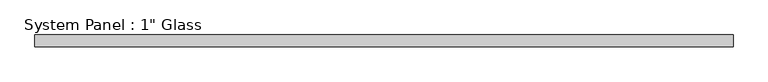
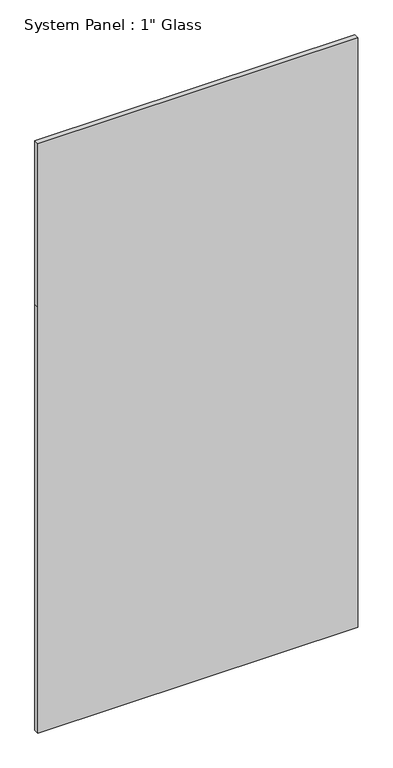
"""IFC4 building model written with IfcOpenShell, lengths in millimetres: plate geometry."""

import ifcopenshell
import ifcopenshell.guid

model = None  # the IFC model being written
_history = None  # IfcOwnerHistory: only IFC2X3 demands one
_inside = {}  # id of a spatial element -> (the spatial element, [elements in it])
_under = {}  # id of a project, library or spatial element -> (it, [spatial elements below it])
_declared = {}  # id of a project -> (the project, [libraries it declares])
_typed = {}  # id of a type object -> (the type object, [elements of that type])
_made_of = {}  # id of a material, layer set ... -> (it, [elements and type objects made of it])


def new_model(schema):
    """Start an empty IFC model of exactly this schema.

    Asked for "IFC4X3", IfcOpenShell would pick the latest addendum, in which some entities
    have other attributes; the version numbers below select the first issue.
    IFC2X3 requires an IfcOwnerHistory on every rooted entity: one is made here for all.
    """
    global model, _history
    if schema == "IFC4X3":
        model = ifcopenshell.file(schema_version=(4, 3, 0, 0))
    else:
        model = ifcopenshell.file(schema=schema)
    _inside.clear()
    _under.clear()
    _declared.clear()
    _typed.clear()
    _made_of.clear()
    _history = None
    if model.schema == "IFC2X3":
        org = make("IfcOrganization", Name="unknown")
        user = make(
            "IfcPersonAndOrganization",
            ThePerson=make("IfcPerson", FamilyName="unknown"),
            TheOrganization=org,
        )
        app = make(
            "IfcApplication",
            ApplicationDeveloper=org,
            Version="unknown",
            ApplicationFullName="unknown",
            ApplicationIdentifier="unknown",
        )
        _history = make(
            "IfcOwnerHistory",
            OwningUser=user,
            OwningApplication=app,
            ChangeAction="ADDED",
            CreationDate=0,
        )
    return model


def make(cls, **values):
    """One entity of the class cls with the attributes given. An attribute that is None is left unset."""
    return model.create_entity(
        cls, **{name: value for name, value in values.items() if value is not None}
    )


def rooted(cls, **values):
    """An entity with a GlobalId (a new one), such as an element, a storey or a relation."""
    return make(cls, GlobalId=ifcopenshell.guid.new(), OwnerHistory=_history, **values)


def si_unit(unit_type, name, prefix=None):
    """IfcSIUnit, for example si_unit("LENGTHUNIT", "METRE", prefix="MILLI")."""
    return make("IfcSIUnit", UnitType=unit_type, Prefix=prefix, Name=name)


def assignment(units):
    """IfcUnitAssignment: the units of a project."""
    return None if units is None else make("IfcUnitAssignment", Units=units)


def point(xyz):
    """IfcCartesianPoint."""
    return None if xyz is None else make("IfcCartesianPoint", Coordinates=xyz)


def direction(xyz):
    """IfcDirection."""
    return None if xyz is None else make("IfcDirection", DirectionRatios=xyz)


def frame(location, z_axis=None, x_axis=None):
    """IfcAxis2Placement3D, a coordinate frame: its origin and axes. An axis left out is left unset."""
    return make(
        "IfcAxis2Placement3D",
        Location=point(location),
        Axis=direction(z_axis),
        RefDirection=direction(x_axis),
    )


def origin():
    """The frame at (0, 0, 0) with its axes left unset."""
    return frame((0.0, 0.0, 0.0))


def place(relative_to, where):
    """IfcLocalPlacement: puts the frame where relative to a parent placement (None: the world)."""
    return make(
        "IfcLocalPlacement", PlacementRelTo=relative_to, RelativePlacement=where
    )


def context(
    kind, dimensions, precision=None, world=None, true_north=None, identifier=None
):
    """IfcGeometricRepresentationContext, for example the 3D "Model" context."""
    return make(
        "IfcGeometricRepresentationContext",
        ContextIdentifier=identifier,
        ContextType=kind,
        CoordinateSpaceDimension=dimensions,
        Precision=precision,
        WorldCoordinateSystem=world,
        TrueNorth=true_north,
    )


def project(units=None, contexts=None):
    """IfcProject with its units and contexts."""
    return rooted(
        "IfcProject",
        Name="project",
        RepresentationContexts=contexts,
        UnitsInContext=assignment(units),
    )


def spatial(cls, under=None, at=None, **own):
    """A site, building, storey or space (cls), placed at a placement, below another one or the project."""
    s = rooted(cls, ObjectPlacement=at, **own)
    if under is not None:
        _under.setdefault(under.id(), (under, []))[1].append(s)
    return s


def polyline(points):
    """IfcPolyline through the points."""
    return make("IfcPolyline", Points=[point(p) for p in points])


def outline(outer, holes=None, kind="AREA"):
    """IfcArbitraryClosedProfileDef: a profile drawn as a closed curve; with holes, ...WithVoids."""
    if holes is None:
        return make("IfcArbitraryClosedProfileDef", ProfileType=kind, OuterCurve=outer)
    return make(
        "IfcArbitraryProfileDefWithVoids",
        ProfileType=kind,
        OuterCurve=outer,
        InnerCurves=holes,
    )


def extrude(swept, where, along, depth):
    """IfcExtrudedAreaSolid: the profile swept, set in the frame where, extruded along a direction by depth."""
    return make(
        "IfcExtrudedAreaSolid",
        SweptArea=swept,
        Position=where,
        ExtrudedDirection=direction(along),
        Depth=depth,
    )


def shape(context_of_items, identifier, shape_type, items):
    """IfcShapeRepresentation: the items that make up one representation, for example the "Body"."""
    return make(
        "IfcShapeRepresentation",
        ContextOfItems=context_of_items,
        RepresentationIdentifier=identifier,
        RepresentationType=shape_type,
        Items=items,
    )


def source(mapping_origin, context_of_items, identifier, shape_type, items):
    """IfcRepresentationMap: a shape defined once, which mapped items show again and again."""
    return make(
        "IfcRepresentationMap",
        MappingOrigin=mapping_origin,
        MappedRepresentation=shape(context_of_items, identifier, shape_type, items),
    )


def transform(
    local_origin,
    x_axis=None,
    y_axis=None,
    z_axis=None,
    scale=None,
    scale2=None,
    scale3=None,
    uniform=True,
):
    """IfcCartesianTransformationOperator3D, or its non-uniform kind. x_axis, y_axis, z_axis: its Axis1, 2, 3."""
    if uniform:
        return make(
            "IfcCartesianTransformationOperator3D",
            Axis1=direction(x_axis),
            Axis2=direction(y_axis),
            LocalOrigin=point(local_origin),
            Scale=scale,
            Axis3=direction(z_axis),
        )
    return make(
        "IfcCartesianTransformationOperator3DnonUniform",
        Axis1=direction(x_axis),
        Axis2=direction(y_axis),
        LocalOrigin=point(local_origin),
        Scale=scale,
        Axis3=direction(z_axis),
        Scale2=scale2,
        Scale3=scale3,
    )


def mapped(mapping_source, mapping_target):
    """IfcMappedItem: shows the shape of a source again, moved by a transform."""
    return make(
        "IfcMappedItem", MappingSource=mapping_source, MappingTarget=mapping_target
    )


def made_of(thing, what):
    """Note that an element or type object is made of a material, layer set ...; save() writes the relation."""
    if what is not None:
        _made_of.setdefault(what.id(), (what, []))[1].append(thing)
    return thing


def element(
    cls,
    number,
    at=None,
    inside=None,
    cuts=None,
    type_object=None,
    material=None,
    context=None,
    identifier="Body",
    shape_type=None,
    held_by="IfcProductDefinitionShape",
    body=None,
    shapes=None,
    **own,
):
    """One element of the class cls, such as IfcWall. Its Tag is "e" and its number.

    at: its placement. inside: the storey or other place that contains it. cuts: it is an
    opening in that element (IfcRelVoidsElement). A single representation is given by context,
    identifier, shape_type and body (its items); several are given by shapes. held_by: the class
    of the entity that holds the representations. save() writes the other relations.
    """
    e = rooted(cls, Tag="e%d" % number, ObjectPlacement=at, **own)
    if body is not None:
        shapes = [shape(context, identifier, shape_type, body)]
    if shapes is not None:
        e.Representation = make(held_by, Representations=shapes)
    if inside is not None:
        _inside.setdefault(inside.id(), (inside, []))[1].append(e)
    if cuts is not None:
        rooted(
            "IfcRelVoidsElement", RelatingBuildingElement=cuts, RelatedOpeningElement=e
        )
    if type_object is not None:
        _typed.setdefault(type_object.id(), (type_object, []))[1].append(e)
    return made_of(e, material)


def aggregate(whole, parts):
    """IfcRelAggregates: a whole, such as a stair, and the parts it consists of."""
    return rooted("IfcRelAggregates", RelatingObject=whole, RelatedObjects=parts)


def save(model, path):
    """Write the relations noted so far, then the file.

    IfcRelAggregates (storeys below a building ...), IfcRelContainedInSpatialStructure (elements
    in a storey), IfcRelDefinesByType, IfcRelAssociatesMaterial and IfcRelDeclares: one each for
    every whole, place, type object, material and project.
    """
    for whole, parts in _under.values():
        aggregate(whole, parts)
    for where, things in _inside.values():
        rooted(
            "IfcRelContainedInSpatialStructure",
            RelatedElements=things,
            RelatingStructure=where,
        )
    for kind, things in _typed.values():
        rooted("IfcRelDefinesByType", RelatedObjects=things, RelatingType=kind)
    for what, things in _made_of.values():
        rooted("IfcRelAssociatesMaterial", RelatedObjects=things, RelatingMaterial=what)
    for by, libraries in _declared.values():
        rooted("IfcRelDeclares", RelatingContext=by, RelatedDefinitions=libraries)
    model.write(path)


def plate_ff80da09(model_context):
    return source(origin(), model_context, "Body", "SweptSolid", [
        extrude(outline(polyline([(0.0, -759.2591185), (0.0, 759.2591185), (2138.3625, 759.2591185), (2959.1, 759.2591185), (2959.1, -759.2591185), (2138.3625, -759.2591185), (0.0, -759.2591185)])), frame((0.0, -12.7, 0.0), z_axis=(0.0, 1.0, 0.0), x_axis=(0.0, 0.0, 1.0)), (0.0, 0.0, 1.0), 25.4),
    ])


if __name__ == "__main__":
    model = new_model("IFC4")
    model_context = context("Model", 3, world=origin())
    ifc_project = project(units=[si_unit("LENGTHUNIT", "METRE", prefix="MILLI")], contexts=[model_context])
    site = spatial("IfcSite", under=ifc_project)
    building = spatial("IfcBuilding", under=site)
    placement = place(None, origin())
    plate_shape = plate_ff80da09(model_context)
    element("IfcPlate", 1, ObjectType="System Panel : 1\" Glass", at=placement, inside=building, context=model_context, shape_type="MappedRepresentation", body=[
        mapped(plate_shape, transform((0.0, 0.0, 0.0), x_axis=(1.0, 0.0, 0.0), y_axis=(0.0, 1.0, 0.0), z_axis=(0.0, 0.0, 1.0))),
    ])
    save(model, "model.ifc")
